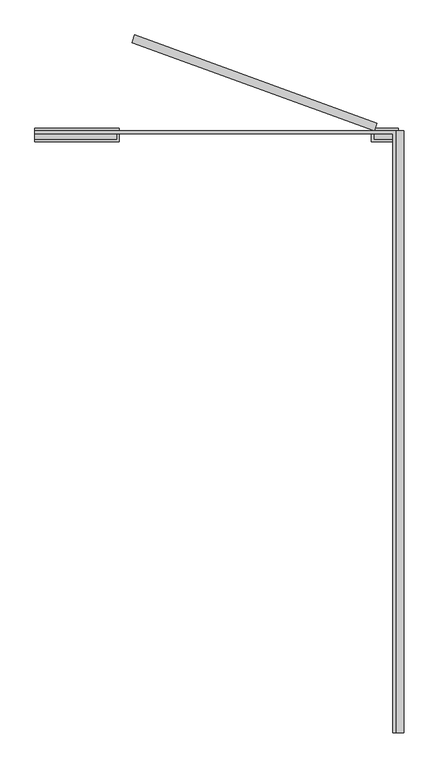
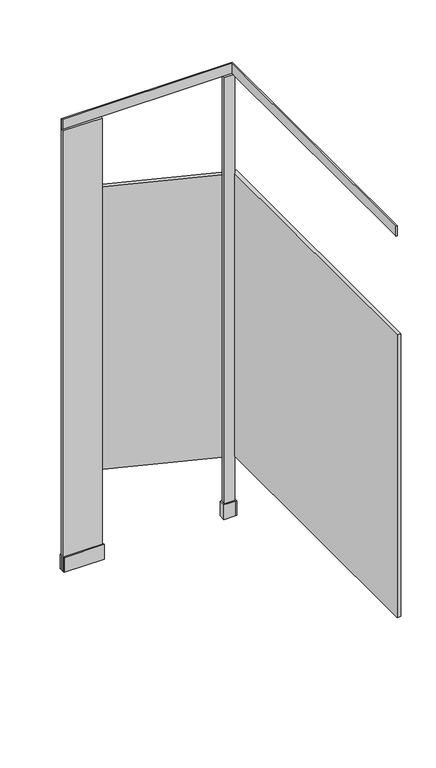
"""IFC4 building model written with IfcOpenShell, lengths in millimetres: proxy geometry."""

from ifc_helpers import new_model, si_unit, frame, origin, origin_with_axes, place, context, project, spatial, polyline, outline, extrude, source, transform, mapped, element, save


def generic_models_31e31f37(model_context):
    return source(origin(), model_context, "Body", "SweptSolid", [
        extrude(outline(polyline([(413.65, 55.0), (413.65, 61.35), (413.65, 1448.65), (-413.65, 1448.65), (-420.0, 1448.65), (-420.0, 1455.0), (420.0, 1455.0), (420.0, 55.0), (413.65, 55.0)])), frame((0.0, 0.0, 2286.0), z_axis=(0.0, 0.0, 1.0), x_axis=(1.0, 0.0, 0.0)), (0.0, 0.0, 1.0), 50.8),
        extrude(outline(polyline([(-230.0, 1455.0), (-420.0, 1455.0), (-420.0, 1461.35), (-223.65, 1461.35), (-223.65, 1455.0), (-223.65, 1435.95), (-223.65, 1429.6), (-420.0, 1429.6), (-420.0, 1435.95), (-230.0, 1435.95), (-230.0, 1455.0)])), origin_with_axes(), (0.0, 0.0, 1.0), 76.2),
        extrude(outline(polyline([(370.0, 1461.35), (420.0, 1461.35), (426.35, 1461.35), (426.35, 1429.6), (420.0, 1429.6), (363.65, 1429.6), (363.65, 1461.35), (370.0, 1461.35)]), holes=[polyline([(370.0, 1455.0), (370.0, 1435.95), (420.0, 1435.95), (420.0, 1455.0), (370.0, 1455.0)])]), origin_with_axes(), (0.0, 0.0, 1.0), 76.2),
        extrude(outline(polyline([(-187.3000887, 1678.1132304), (376.5154837, 1472.9011444), (370.0, 1455.0), (-193.8155725, 1660.212086), (-187.3000887, 1678.1132304)])), frame((0.0, 0.0, 304.8), z_axis=(0.0, 0.0, 1.0), x_axis=(1.0, 0.0, 0.0)), (0.0, 0.0, 1.0), 1466.85),
        extrude(outline(polyline([(420.0, 1435.95), (370.0, 1435.95), (370.0, 1455.0), (420.0, 1455.0), (420.0, 1435.95)])), origin_with_axes(), (0.0, 0.0, 1.0), 2286.0),
        extrude(outline(polyline([(-230.0, 1435.95), (-420.0, 1435.95), (-420.0, 1455.0), (-230.0, 1455.0), (-230.0, 1435.95)])), origin_with_axes(), (0.0, 0.0, 1.0), 2286.0),
        extrude(outline(polyline([(439.05, 1455.0), (439.05, 55.0), (420.0, 55.0), (420.0, 1455.0), (439.05, 1455.0)])), frame((0.0, 0.0, 304.8), z_axis=(0.0, 0.0, 1.0), x_axis=(1.0, 0.0, 0.0)), (0.0, 0.0, 1.0), 1466.85),
    ])


if __name__ == "__main__":
    model = new_model("IFC4")
    model_context = context("Model", 3, world=origin())
    ifc_project = project(units=[si_unit("LENGTHUNIT", "METRE", prefix="MILLI")], contexts=[model_context])
    site = spatial("IfcSite", under=ifc_project)
    building = spatial("IfcBuilding", under=site)
    placement = place(None, origin())
    generic_models_shape = generic_models_31e31f37(model_context)
    element("IfcBuildingElementProxy", 1, Name="Generic Models", at=placement, inside=building, context=model_context, shape_type="MappedRepresentation", body=[
        mapped(generic_models_shape, transform((0.0, 0.0, 0.0), x_axis=(1.0, 0.0, 0.0), y_axis=(0.0, 1.0, 0.0), z_axis=(0.0, 0.0, 1.0))),
    ])
    save(model, "model.ifc")
